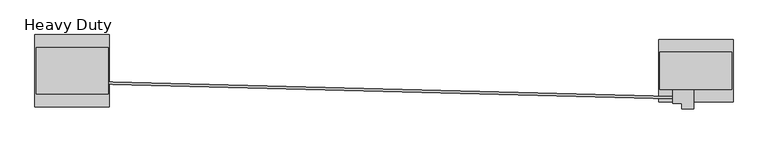
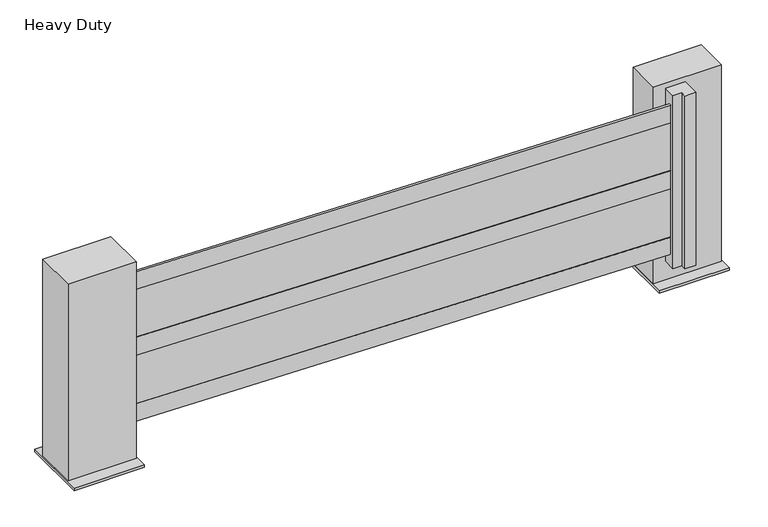
"""IFC4 building model written with IfcOpenShell, lengths in millimetres: proxy geometry, Heavy Duty."""

from ifc_helpers import new_model, si_unit, frame, origin, place, context, project, spatial, polyline, outline, extrude, faceted_brep, source, transform, mapped, element, save


def heavy_duty_62fcfb71(model_context):
    return source(origin(), model_context, "Body", "SolidModel", [
        extrude(outline(polyline([(-1589.0302633, 410.2519938), (1576.2, 328.3723465), (1576.2, 322.0276976), (-1589.0302633, 403.907345), (-1589.0302633, 410.2519938)])), frame((0.0, 0.0, 307.6011018), z_axis=(0.0, 0.0, 1.0), x_axis=(1.0, 0.0, 0.0)), (0.0, 0.0, 1.0), 703.2800318),
        extrude(outline(polyline([(1576.2, 318.8500221), (-1588.9, 400.7243205), (-1588.9, 413.4243205), (1576.2, 331.5500221), (1576.2, 318.8500221)])), frame((0.0, 0.0, 605.3863405), z_axis=(0.0, 0.0, 1.0), x_axis=(1.0, 0.0, 0.0)), (0.0, 0.0, 1.0), 110.8774825),
        extrude(outline(polyline([(1576.2, 318.8500221), (-1588.9, 400.7243205), (-1588.9, 413.4243205), (1576.2, 331.5500221), (1576.2, 318.8500221)])), frame((0.0, 0.0, 203.2), z_axis=(0.0, 0.0, 1.0), x_axis=(1.0, 0.0, 0.0)), (0.0, 0.0, 1.0), 104.4011018),
        extrude(outline(polyline([(1576.2, 318.8500221), (-1588.9, 400.7243205), (-1588.9, 413.4243205), (1576.2, 331.5500221), (1576.2, 318.8500221)])), frame((0.0, 0.0, 1010.8811336), z_axis=(0.0, 0.0, 1.0), x_axis=(1.0, 0.0, 0.0)), (0.0, 0.0, 1.0), 106.7188664),
        extrude(outline(polyline([(1576.2, 295.7346202), (1576.2, 371.9346202), (1690.5, 371.9346202), (1690.5, 263.9846202), (1627.0, 263.9846202), (1627.0, 295.7346202), (1576.2, 295.7346202)])), frame((0.0, 0.0, 130.1971298), z_axis=(0.0, 0.0, 1.0), x_axis=(1.0, 0.0, 0.0)), (0.0, 0.0, 1.0), 1058.2664625),
        faceted_brep([(-1900.05, 600.5346202, 1219.2), (-1900.05, 346.5346202, 1219.2), (-1506.35, 346.5346202, 1219.2), (-1506.35, 600.5346202, 1219.2), (-1500.0, 670.3846202, 0.0), (-1500.0, 276.6846202, 0.0), (-1906.4, 276.6846202, 0.0), (-1906.4, 670.3846202, 0.0), (-1900.05, 600.5346202, 15.875), (-1900.05, 346.5346202, 15.875), (-1506.35, 346.5346202, 15.875), (-1506.35, 600.5346202, 15.875), (-1500.0, 670.3846202, 15.875), (-1906.4, 670.3846202, 15.875), (-1906.4, 276.6846202, 15.875), (-1500.0, 276.6846202, 15.875)], [[[0, 1, 2, 3]], [[4, 5, 6, 7]], [[1, 0, 8, 9]], [[2, 1, 9, 10]], [[3, 2, 10, 11]], [[0, 3, 11, 8]], [[12, 13, 14, 15], [9, 8, 11, 10]], [[13, 12, 4, 7]], [[14, 13, 7, 6]], [[15, 14, 6, 5]], [[12, 15, 5, 4]]]),
        faceted_brep([(1506.35, 575.1346202, 1219.2), (1506.35, 371.9346202, 1219.2), (1900.05, 371.9346202, 1219.2), (1900.05, 575.1346202, 1219.2), (1906.4, 644.9846202, 0.0), (1906.4, 302.0846202, 0.0), (1500.0, 302.0846202, 0.0), (1500.0, 644.9846202, 0.0), (1506.35, 575.1346202, 15.875), (1506.35, 371.9346202, 15.875), (1900.05, 371.9346202, 15.875), (1900.05, 575.1346202, 15.875), (1906.4, 644.9846202, 15.875), (1500.0, 644.9846202, 15.875), (1500.0, 302.0846202, 15.875), (1906.4, 302.0846202, 15.875)], [[[0, 1, 2, 3]], [[4, 5, 6, 7]], [[1, 0, 8, 9]], [[2, 1, 9, 10]], [[3, 2, 10, 11]], [[0, 3, 11, 8]], [[12, 13, 14, 15], [9, 8, 11, 10]], [[13, 12, 4, 7]], [[14, 13, 7, 6]], [[15, 14, 6, 5]], [[12, 15, 5, 4]]]),
    ])


if __name__ == "__main__":
    model = new_model("IFC4")
    model_context = context("Model", 3, world=origin())
    ifc_project = project(units=[si_unit("LENGTHUNIT", "METRE", prefix="MILLI")], contexts=[model_context])
    site = spatial("IfcSite", under=ifc_project)
    building = spatial("IfcBuilding", under=site)
    placement = place(None, origin())
    heavy_duty_shape = heavy_duty_62fcfb71(model_context)
    element("IfcBuildingElementProxy", 1, Name="Heavy Duty", ObjectType="Heavy Duty", at=placement, inside=building, context=model_context, shape_type="MappedRepresentation", body=[
        mapped(heavy_duty_shape, transform((0.0, 0.0, 0.0), x_axis=(1.0, 0.0, 0.0), y_axis=(0.0, 1.0, 0.0), z_axis=(0.0, 0.0, 1.0))),
    ])
    save(model, "model.ifc")
